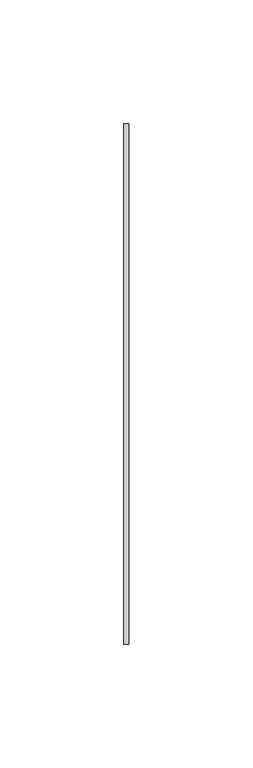
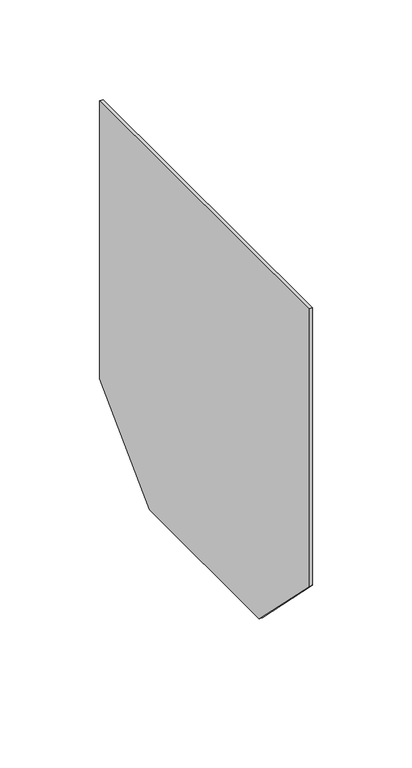
"""IFC4 building model written with IfcOpenShell, lengths in millimetres: proxy geometry."""

from ifc_helpers import new_model, si_unit, frame, origin, place, context, project, spatial, polyline, outline, extrude, source, transform, mapped, element, save


def generic_models_27181195(model_context):
    return source(origin(), model_context, "Body", "SweptSolid", [
        extrude(outline(polyline([(105.0, -170.0), (55.0, -220.0), (-55.0, -220.0), (-105.0, -170.0), (-105.0, 0.0), (105.0, 0.0), (105.0, -170.0)])), frame((0.0, 0.0, 0.0), z_axis=(1.0, 0.0, 0.0), x_axis=(0.0, 1.0, 0.0)), (0.0, 0.0, 1.0), 2.0),
    ])


if __name__ == "__main__":
    model = new_model("IFC4")
    model_context = context("Model", 3, world=origin())
    ifc_project = project(units=[si_unit("LENGTHUNIT", "METRE", prefix="MILLI")], contexts=[model_context])
    site = spatial("IfcSite", under=ifc_project)
    building = spatial("IfcBuilding", under=site)
    placement = place(None, origin())
    generic_models_shape = generic_models_27181195(model_context)
    element("IfcBuildingElementProxy", 1, Name="Generic Models", at=placement, inside=building, context=model_context, shape_type="MappedRepresentation", body=[
        mapped(generic_models_shape, transform((0.0, 0.0, 0.0), x_axis=(1.0, 0.0, 0.0), y_axis=(0.0, 1.0, 0.0), z_axis=(0.0, 0.0, 1.0))),
    ])
    save(model, "model.ifc")
